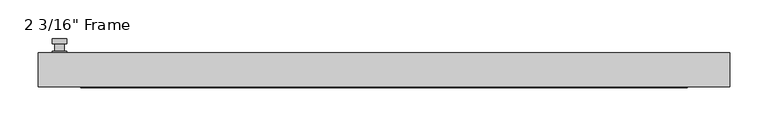
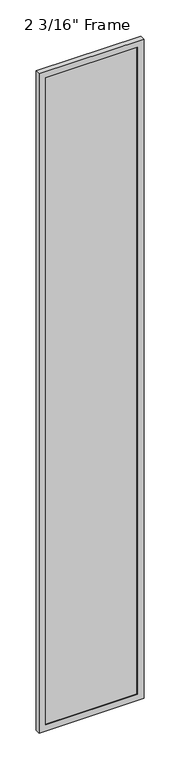
"""IFC4 building model written with IfcOpenShell, lengths in millimetres: plate geometry."""

from ifc_helpers import new_model, si_unit, frame, origin, place, context, project, spatial, polyline, circle_curve, outline, extrude, faceted_brep, source, transform, mapped, element, save
from ifc_brep_helpers import plane_surface, cylinder_surface, advanced_brep


def plate_e99c928b(model_context):
    return source(origin(), model_context, "Body", "SolidModel", [
        advanced_brep(
        [(-415.13125, 22.225, 927.1), (-434.18125, 22.225, 927.1), (-434.18125, 22.225, 901.7), (-415.13125, 22.225, 901.7), (-418.30625, 34.925, 914.4), (-418.30625, 25.4, 914.4), (-431.00625, 25.4, 914.4), (-431.00625, 34.925, 914.4), (-415.13125, 34.925, 914.4), (-434.18125, 34.925, 914.4), (-431.0022144, 34.925, 825.2736467), (-418.3102856, 34.925, 825.2736467), (-415.13125, 41.275, 914.4), (-418.3102856, 41.275, 825.2736467), (-431.0022144, 41.275, 825.2736467), (-434.18125, 41.275, 914.4), (-415.13125, 25.4, 927.1), (-415.13125, 25.4, 901.7), (-434.18125, 25.4, 901.7), (-434.18125, 25.4, 927.1)],
        [
            (0, 1, circle_curve(frame((-424.65625, 22.225, 927.1), z_axis=(0.0, -1.0, 0.0), x_axis=(-1.0, 0.0, 0.0)), 9.525)),
            (1, 2),
            (2, 3, circle_curve(frame((-424.65625, 22.225, 901.7), z_axis=(0.0, -1.0, 0.0), x_axis=(-1.0, 0.0, 0.0)), 9.525)),
            (3, 0),
            (4, 5),
            (5, 6, circle_curve(frame((-424.65625, 25.4, 914.4), z_axis=(0.0, 1.0, 0.0), x_axis=(-1.0, 0.0, 0.0)), 6.35)),
            (6, 7),
            (7, 4, circle_curve(frame((-424.65625, 34.925, 914.4), z_axis=(0.0, -1.0, 0.0), x_axis=(-1.0, 0.0, 0.0)), 6.35)),
            (6, 5, circle_curve(frame((-424.65625, 25.4, 914.4), z_axis=(0.0, 1.0, 0.0), x_axis=(-1.0, 0.0, 0.0)), 6.35)),
            (4, 7, circle_curve(frame((-424.65625, 34.925, 914.4), z_axis=(0.0, -1.0, 0.0), x_axis=(-1.0, 0.0, 0.0)), 6.35)),
            (8, 9, circle_curve(frame((-424.65625, 34.925, 914.4), z_axis=(0.0, -1.0, 0.0), x_axis=(-1.0, 0.0, 0.0)), 9.525)),
            (9, 10),
            (10, 11, circle_curve(frame((-424.65625, 34.925, 825.5), z_axis=(0.0, -1.0, 0.0), x_axis=(-1.0, 0.0, 0.0)), 6.35)),
            (11, 8),
            (12, 13),
            (13, 14, circle_curve(frame((-424.65625, 41.275, 825.5), z_axis=(0.0, 1.0, 0.0), x_axis=(-1.0, 0.0, 0.0)), 6.35)),
            (14, 15),
            (15, 12, circle_curve(frame((-424.65625, 41.275, 914.4), z_axis=(0.0, 1.0, 0.0), x_axis=(-1.0, 0.0, 0.0)), 9.525)),
            (11, 13),
            (12, 8),
            (10, 14),
            (9, 15),
            (16, 17),
            (17, 18, circle_curve(frame((-424.65625, 25.4, 901.7), z_axis=(0.0, 1.0, 0.0), x_axis=(-1.0, 0.0, 0.0)), 9.525)),
            (18, 19),
            (19, 16, circle_curve(frame((-424.65625, 25.4, 927.1), z_axis=(0.0, 1.0, 0.0), x_axis=(-1.0, 0.0, 0.0)), 9.525)),
            (3, 17),
            (16, 0),
            (2, 18),
            (1, 19),
        ],
        [
            plane_surface(frame((-431.00625, 22.225, 914.4), z_axis=(0.0, -1.0, 0.0), x_axis=(0.0, 0.0, 1.0))),
            cylinder_surface(frame((-424.65625, 34.925, 914.4), z_axis=(0.0, -1.0, 0.0), x_axis=(-1.0, 0.0, 0.0)), 6.35),
            plane_surface(frame((-415.13125, 34.925, 914.4), z_axis=(0.0, -1.0000000000000002, 0.0), x_axis=(-0.03564619348186888, 0.0, -0.9993644724975235))),
            plane_surface(frame((-415.13125, 41.275, 914.4), z_axis=(0.0, 1.0000000000000002, 0.0), x_axis=(0.03564619348186888, 0.0, 0.9993644724975235))),
            plane_surface(frame((-415.13125, 34.925, 914.4), z_axis=(0.9993644724975235, 0.0, -0.03564619348186888), x_axis=(0.0, 1.0, 0.0))),
            cylinder_surface(frame((-424.65625, 41.275, 825.5), z_axis=(0.0, -1.0, 0.0), x_axis=(-1.0, 0.0, 0.0)), 6.35),
            plane_surface(frame((-431.0022144, 34.925, 825.2736467), z_axis=(-0.9993644724975228, 0.0, -0.03564619348188612), x_axis=(0.0, 1.0, 0.0))),
            cylinder_surface(frame((-424.65625, 41.275, 914.4), z_axis=(0.0, -1.0, 0.0), x_axis=(-1.0, 0.0, 0.0)), 9.525),
            plane_surface(frame((-415.13125, 25.4, 901.7), z_axis=(0.0, 1.0, 0.0), x_axis=(0.0, 0.0, 1.0))),
            plane_surface(frame((-415.13125, 22.225, 927.1), z_axis=(1.0, 0.0, 0.0), x_axis=(0.0, 1.0, 0.0))),
            cylinder_surface(frame((-424.65625, 25.4, 901.7), z_axis=(0.0, -1.0, 0.0), x_axis=(-1.0, 0.0, 0.0)), 9.525),
            plane_surface(frame((-434.18125, 22.225, 901.7), z_axis=(-1.0, 0.0, 0.0), x_axis=(0.0, 1.0, 0.0))),
            cylinder_surface(frame((-424.65625, 25.4, 927.1), z_axis=(0.0, -1.0, 0.0), x_axis=(-1.0, 0.0, 0.0)), 9.525),
        ],
        [
            (0, [[1, 2, 3, 4]]),
            (1, [[5, 6, 7, 8]]),
            (1, [[-7, 9, -5, 10]]),
            (2, [[11, 12, 13, 14], [-10, -8]]),
            (3, [[15, 16, 17, 18]]),
            (4, [[19, -15, 20, -14]]),
            (5, [[21, -16, -19, -13]]),
            (6, [[22, -17, -21, -12]]),
            (7, [[-20, -18, -22, -11]]),
            (8, [[23, 24, 25, 26], [-9, -6]]),
            (9, [[27, -23, 28, -4]]),
            (10, [[29, -24, -27, -3]]),
            (11, [[30, -25, -29, -2]]),
            (12, [[-28, -26, -30, -1]]),
        ],
    ),
        faceted_brep([(-452.4375, 22.225, 0.0), (452.4375, 22.225, 0.0), (452.4375, -22.225, 0.0), (-452.4375, -22.225, 0.0), (-396.875, -22.225, 5951.5375), (-396.875, -22.225, 55.5625), (-396.875, -15.875, 55.5625), (-396.875, -15.875, 5951.5375), (409.575, -15.875, 5964.2375), (409.575, -15.875, 42.8625), (-409.575, -15.875, 42.8625), (-409.575, -15.875, 5964.2375), (396.875, -15.875, 55.5625), (396.875, -15.875, 5951.5375), (-409.575, 7.9375, 42.8625), (-409.575, 7.9375, 5964.2375), (409.575, 7.9375, 42.8625), (409.575, 7.9375, 5964.2375), (-396.875, 7.9375, 5951.5375), (396.875, 7.9375, 5951.5375), (396.875, 7.9375, 55.5625), (-396.875, 7.9375, 55.5625), (-396.875, 22.225, 55.5625), (-396.875, 22.225, 5951.5375), (-452.4375, 22.225, 6007.1), (452.4375, 22.225, 6007.1), (396.875, 22.225, 55.5625), (396.875, 22.225, 5951.5375), (-452.4375, -22.225, 6007.1), (452.4375, -22.225, 6007.1), (396.875, -22.225, 5951.5375), (396.875, -22.225, 55.5625)], [[[0, 1, 2, 3]], [[4, 5, 6, 7]], [[8, 9, 10, 11], [7, 6, 12, 13]], [[10, 14, 15, 11]], [[15, 14, 16, 17], [18, 19, 20, 21]], [[18, 21, 22, 23]], [[0, 24, 25, 1], [23, 22, 26, 27]], [[3, 28, 24, 0]], [[2, 29, 28, 3], [4, 30, 31, 5]], [[7, 13, 30, 4]], [[11, 15, 17, 8]], [[18, 23, 27, 19]], [[24, 28, 29, 25]], [[13, 12, 31, 30]], [[16, 9, 8, 17]], [[27, 26, 20, 19]], [[25, 29, 2, 1]], [[22, 21, 20, 26]], [[9, 16, 14, 10]], [[6, 5, 31, 12]]]),
        extrude(outline(polyline([(409.575, 7.9375), (409.575, -15.875), (-409.575, -15.875), (-409.575, 7.9375), (409.575, 7.9375)])), frame((0.0, 0.0, 42.8625), z_axis=(0.0, 0.0, 1.0), x_axis=(1.0, 0.0, 0.0)), (0.0, 0.0, 1.0), 5921.375),
    ])


if __name__ == "__main__":
    model = new_model("IFC4")
    model_context = context("Model", 3, world=origin())
    ifc_project = project(units=[si_unit("LENGTHUNIT", "METRE", prefix="MILLI")], contexts=[model_context])
    site = spatial("IfcSite", under=ifc_project)
    building = spatial("IfcBuilding", under=site)
    placement = place(None, origin())
    plate_shape = plate_e99c928b(model_context)
    element("IfcPlate", 1, ObjectType="2 3/16\" Frame", at=placement, inside=building, context=model_context, shape_type="MappedRepresentation", body=[
        mapped(plate_shape, transform((0.0, 0.0, 0.0), x_axis=(1.0, 0.0, 0.0), y_axis=(0.0, 1.0, 0.0), z_axis=(0.0, 0.0, 1.0))),
    ])
    save(model, "model.ifc")
